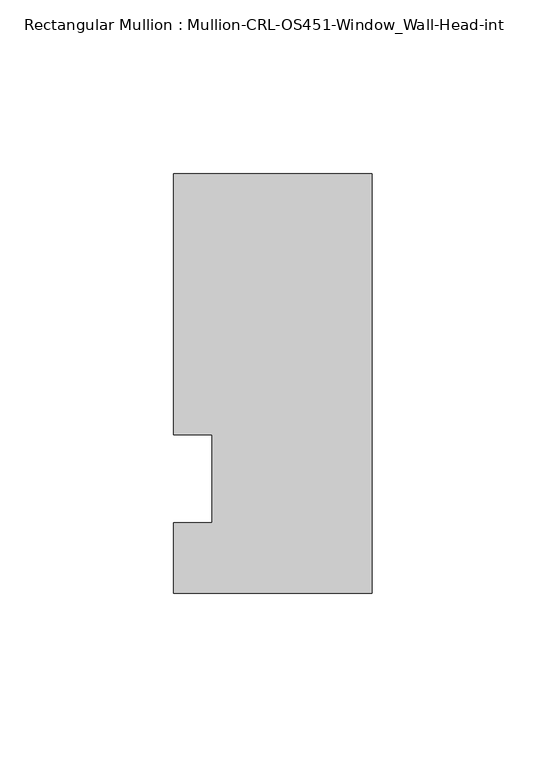
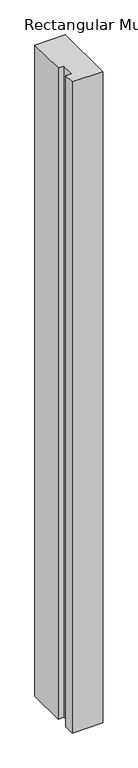
"""IFC4 building model written with IfcOpenShell, lengths in millimetres: member geometry, Rectangular Mullion : Mullion-CRL-OS451-Window_Wall-Head-int."""

from ifc_helpers import new_model, si_unit, frame, origin, place, context, project, spatial, polyline, outline, extrude, source, transform, mapped, element, save


def rectangular_mullion_mullion_crl_os451_window_wall_head_int_798352cb(model_context):
    return source(origin(), model_context, "Body", "SweptSolid", [
        extrude(outline(polyline([(-57.1500484, -12.6024125), (-46.0286759, -12.6024125), (-46.0286759, 12.7975875), (-57.1500484, 12.7975875), (-57.1500484, 87.9036146), (0.0, 87.9036146), (0.0, -32.8987854), (-57.1500484, -32.8987854), (-57.1500484, -12.6024125)])), frame((0.0, 0.0, -1290.1083332), z_axis=(0.0, 0.0, 1.0), x_axis=(1.0, 0.0, 0.0)), (0.0, 0.0, 1.0), 1290.1083332),
    ])


if __name__ == "__main__":
    model = new_model("IFC4")
    model_context = context("Model", 3, world=origin())
    ifc_project = project(units=[si_unit("LENGTHUNIT", "METRE", prefix="MILLI")], contexts=[model_context])
    site = spatial("IfcSite", under=ifc_project)
    building = spatial("IfcBuilding", under=site)
    placement = place(None, origin())
    rectangular_mullion_mullion_crl_os451_window_wall_head_int_shape = rectangular_mullion_mullion_crl_os451_window_wall_head_int_798352cb(model_context)
    element("IfcMember", 1, ObjectType="Rectangular Mullion : Mullion-CRL-OS451-Window_Wall-Head-int", at=placement, inside=building, context=model_context, shape_type="MappedRepresentation", body=[
        mapped(rectangular_mullion_mullion_crl_os451_window_wall_head_int_shape, transform((0.0, 0.0, 0.0), x_axis=(1.0, 0.0, 0.0), y_axis=(0.0, 1.0, 0.0), z_axis=(0.0, 0.0, 1.0))),
    ])
    save(model, "model.ifc")
